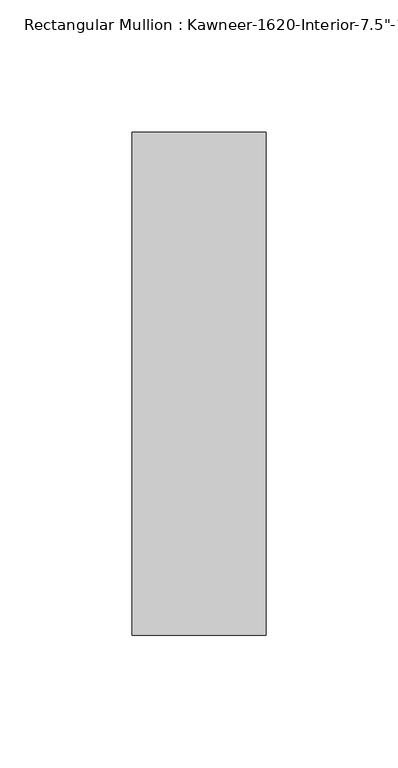
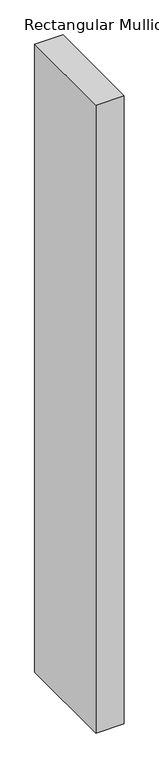
"""IFC4 building model written with IfcOpenShell, lengths in millimetres: member geometry."""

import ifcopenshell
import ifcopenshell.guid

model = None  # the IFC model being written
_history = None  # IfcOwnerHistory: only IFC2X3 demands one
_inside = {}  # id of a spatial element -> (the spatial element, [elements in it])
_under = {}  # id of a project, library or spatial element -> (it, [spatial elements below it])
_declared = {}  # id of a project -> (the project, [libraries it declares])
_typed = {}  # id of a type object -> (the type object, [elements of that type])
_made_of = {}  # id of a material, layer set ... -> (it, [elements and type objects made of it])


def new_model(schema):
    """Start an empty IFC model of exactly this schema.

    Asked for "IFC4X3", IfcOpenShell would pick the latest addendum, in which some entities
    have other attributes; the version numbers below select the first issue.
    IFC2X3 requires an IfcOwnerHistory on every rooted entity: one is made here for all.
    """
    global model, _history
    if schema == "IFC4X3":
        model = ifcopenshell.file(schema_version=(4, 3, 0, 0))
    else:
        model = ifcopenshell.file(schema=schema)
    _inside.clear()
    _under.clear()
    _declared.clear()
    _typed.clear()
    _made_of.clear()
    _history = None
    if model.schema == "IFC2X3":
        org = make("IfcOrganization", Name="unknown")
        user = make(
            "IfcPersonAndOrganization",
            ThePerson=make("IfcPerson", FamilyName="unknown"),
            TheOrganization=org,
        )
        app = make(
            "IfcApplication",
            ApplicationDeveloper=org,
            Version="unknown",
            ApplicationFullName="unknown",
            ApplicationIdentifier="unknown",
        )
        _history = make(
            "IfcOwnerHistory",
            OwningUser=user,
            OwningApplication=app,
            ChangeAction="ADDED",
            CreationDate=0,
        )
    return model


def make(cls, **values):
    """One entity of the class cls with the attributes given. An attribute that is None is left unset."""
    return model.create_entity(
        cls, **{name: value for name, value in values.items() if value is not None}
    )


def rooted(cls, **values):
    """An entity with a GlobalId (a new one), such as an element, a storey or a relation."""
    return make(cls, GlobalId=ifcopenshell.guid.new(), OwnerHistory=_history, **values)


def si_unit(unit_type, name, prefix=None):
    """IfcSIUnit, for example si_unit("LENGTHUNIT", "METRE", prefix="MILLI")."""
    return make("IfcSIUnit", UnitType=unit_type, Prefix=prefix, Name=name)


def assignment(units):
    """IfcUnitAssignment: the units of a project."""
    return None if units is None else make("IfcUnitAssignment", Units=units)


def point(xyz):
    """IfcCartesianPoint."""
    return None if xyz is None else make("IfcCartesianPoint", Coordinates=xyz)


def direction(xyz):
    """IfcDirection."""
    return None if xyz is None else make("IfcDirection", DirectionRatios=xyz)


def frame(location, z_axis=None, x_axis=None):
    """IfcAxis2Placement3D, a coordinate frame: its origin and axes. An axis left out is left unset."""
    return make(
        "IfcAxis2Placement3D",
        Location=point(location),
        Axis=direction(z_axis),
        RefDirection=direction(x_axis),
    )


def origin():
    """The frame at (0, 0, 0) with its axes left unset."""
    return frame((0.0, 0.0, 0.0))


def place(relative_to, where):
    """IfcLocalPlacement: puts the frame where relative to a parent placement (None: the world)."""
    return make(
        "IfcLocalPlacement", PlacementRelTo=relative_to, RelativePlacement=where
    )


def context(
    kind, dimensions, precision=None, world=None, true_north=None, identifier=None
):
    """IfcGeometricRepresentationContext, for example the 3D "Model" context."""
    return make(
        "IfcGeometricRepresentationContext",
        ContextIdentifier=identifier,
        ContextType=kind,
        CoordinateSpaceDimension=dimensions,
        Precision=precision,
        WorldCoordinateSystem=world,
        TrueNorth=true_north,
    )


def project(units=None, contexts=None):
    """IfcProject with its units and contexts."""
    return rooted(
        "IfcProject",
        Name="project",
        RepresentationContexts=contexts,
        UnitsInContext=assignment(units),
    )


def spatial(cls, under=None, at=None, **own):
    """A site, building, storey or space (cls), placed at a placement, below another one or the project."""
    s = rooted(cls, ObjectPlacement=at, **own)
    if under is not None:
        _under.setdefault(under.id(), (under, []))[1].append(s)
    return s


def polyline(points):
    """IfcPolyline through the points."""
    return make("IfcPolyline", Points=[point(p) for p in points])


def outline(outer, holes=None, kind="AREA"):
    """IfcArbitraryClosedProfileDef: a profile drawn as a closed curve; with holes, ...WithVoids."""
    if holes is None:
        return make("IfcArbitraryClosedProfileDef", ProfileType=kind, OuterCurve=outer)
    return make(
        "IfcArbitraryProfileDefWithVoids",
        ProfileType=kind,
        OuterCurve=outer,
        InnerCurves=holes,
    )


def extrude(swept, where, along, depth):
    """IfcExtrudedAreaSolid: the profile swept, set in the frame where, extruded along a direction by depth."""
    return make(
        "IfcExtrudedAreaSolid",
        SweptArea=swept,
        Position=where,
        ExtrudedDirection=direction(along),
        Depth=depth,
    )


def shape(context_of_items, identifier, shape_type, items):
    """IfcShapeRepresentation: the items that make up one representation, for example the "Body"."""
    return make(
        "IfcShapeRepresentation",
        ContextOfItems=context_of_items,
        RepresentationIdentifier=identifier,
        RepresentationType=shape_type,
        Items=items,
    )


def source(mapping_origin, context_of_items, identifier, shape_type, items):
    """IfcRepresentationMap: a shape defined once, which mapped items show again and again."""
    return make(
        "IfcRepresentationMap",
        MappingOrigin=mapping_origin,
        MappedRepresentation=shape(context_of_items, identifier, shape_type, items),
    )


def transform(
    local_origin,
    x_axis=None,
    y_axis=None,
    z_axis=None,
    scale=None,
    scale2=None,
    scale3=None,
    uniform=True,
):
    """IfcCartesianTransformationOperator3D, or its non-uniform kind. x_axis, y_axis, z_axis: its Axis1, 2, 3."""
    if uniform:
        return make(
            "IfcCartesianTransformationOperator3D",
            Axis1=direction(x_axis),
            Axis2=direction(y_axis),
            LocalOrigin=point(local_origin),
            Scale=scale,
            Axis3=direction(z_axis),
        )
    return make(
        "IfcCartesianTransformationOperator3DnonUniform",
        Axis1=direction(x_axis),
        Axis2=direction(y_axis),
        LocalOrigin=point(local_origin),
        Scale=scale,
        Axis3=direction(z_axis),
        Scale2=scale2,
        Scale3=scale3,
    )


def mapped(mapping_source, mapping_target):
    """IfcMappedItem: shows the shape of a source again, moved by a transform."""
    return make(
        "IfcMappedItem", MappingSource=mapping_source, MappingTarget=mapping_target
    )


def made_of(thing, what):
    """Note that an element or type object is made of a material, layer set ...; save() writes the relation."""
    if what is not None:
        _made_of.setdefault(what.id(), (what, []))[1].append(thing)
    return thing


def element(
    cls,
    number,
    at=None,
    inside=None,
    cuts=None,
    type_object=None,
    material=None,
    context=None,
    identifier="Body",
    shape_type=None,
    held_by="IfcProductDefinitionShape",
    body=None,
    shapes=None,
    **own,
):
    """One element of the class cls, such as IfcWall. Its Tag is "e" and its number.

    at: its placement. inside: the storey or other place that contains it. cuts: it is an
    opening in that element (IfcRelVoidsElement). A single representation is given by context,
    identifier, shape_type and body (its items); several are given by shapes. held_by: the class
    of the entity that holds the representations. save() writes the other relations.
    """
    e = rooted(cls, Tag="e%d" % number, ObjectPlacement=at, **own)
    if body is not None:
        shapes = [shape(context, identifier, shape_type, body)]
    if shapes is not None:
        e.Representation = make(held_by, Representations=shapes)
    if inside is not None:
        _inside.setdefault(inside.id(), (inside, []))[1].append(e)
    if cuts is not None:
        rooted(
            "IfcRelVoidsElement", RelatingBuildingElement=cuts, RelatedOpeningElement=e
        )
    if type_object is not None:
        _typed.setdefault(type_object.id(), (type_object, []))[1].append(e)
    return made_of(e, material)


def aggregate(whole, parts):
    """IfcRelAggregates: a whole, such as a stair, and the parts it consists of."""
    return rooted("IfcRelAggregates", RelatingObject=whole, RelatedObjects=parts)


def save(model, path):
    """Write the relations noted so far, then the file.

    IfcRelAggregates (storeys below a building ...), IfcRelContainedInSpatialStructure (elements
    in a storey), IfcRelDefinesByType, IfcRelAssociatesMaterial and IfcRelDeclares: one each for
    every whole, place, type object, material and project.
    """
    for whole, parts in _under.values():
        aggregate(whole, parts)
    for where, things in _inside.values():
        rooted(
            "IfcRelContainedInSpatialStructure",
            RelatedElements=things,
            RelatingStructure=where,
        )
    for kind, things in _typed.values():
        rooted("IfcRelDefinesByType", RelatedObjects=things, RelatingType=kind)
    for what, things in _made_of.values():
        rooted("IfcRelAssociatesMaterial", RelatedObjects=things, RelatingMaterial=what)
    for by, libraries in _declared.values():
        rooted("IfcRelDeclares", RelatingContext=by, RelatedDefinitions=libraries)
    model.write(path)


def member_258053fb(model_context):
    return source(origin(), model_context, "Body", "SweptSolid", [
        extrude(outline(polyline([(25.4, -161.925), (-25.4, -161.925), (-25.4, 28.575), (25.4, 28.575), (25.4, -161.925)])), frame((0.0, 0.0, -1193.8), z_axis=(0.0, 0.0, 1.0), x_axis=(1.0, 0.0, 0.0)), (0.0, 0.0, 1.0), 1193.8),
    ])


if __name__ == "__main__":
    model = new_model("IFC4")
    model_context = context("Model", 3, world=origin())
    ifc_project = project(units=[si_unit("LENGTHUNIT", "METRE", prefix="MILLI")], contexts=[model_context])
    site = spatial("IfcSite", under=ifc_project)
    building = spatial("IfcBuilding", under=site)
    placement = place(None, origin())
    member_shape = member_258053fb(model_context)
    element("IfcMember", 1, ObjectType="Rectangular Mullion : Kawneer-1620-Interior-7.5\"-1/4\"Infill", at=placement, inside=building, context=model_context, shape_type="MappedRepresentation", body=[
        mapped(member_shape, transform((0.0, 0.0, 0.0), x_axis=(1.0, 0.0, 0.0), y_axis=(0.0, 1.0, 0.0), z_axis=(0.0, 0.0, 1.0))),
    ])
    save(model, "model.ifc")
